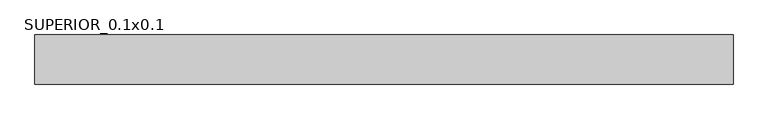
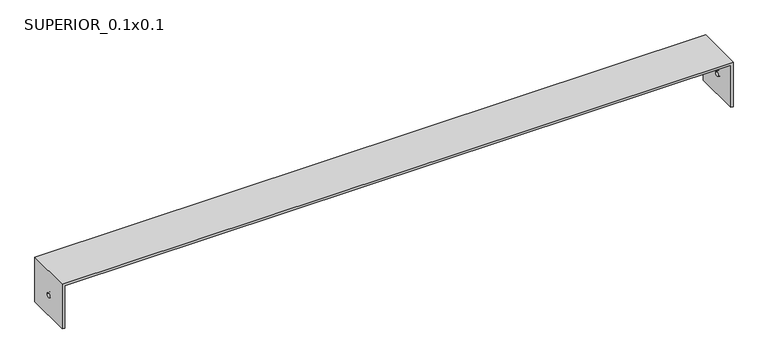
"""IFC4 building model written with IfcOpenShell, lengths in millimetres: proxy geometry, SUPERIOR_0.1x0.1."""

from ifc_helpers import new_model, si_unit, frame, origin, place, context, project, spatial, polyline, circle_curve, source, transform, mapped, element, save
from ifc_brep_helpers import plane_surface, revolved_surface, advanced_brep


def superior_0_1x0_1_e82e511b(model_context):
    return source(origin(), model_context, "Body", "AdvancedBrep", [
        advanced_brep(
        [(5.0, 100.0, -95.0), (5.0, 0.0, -95.0), (0.0, 0.0, -95.0), (0.0, 100.0, -95.0), (0.0, 100.0, 5.0), (1420.0, 100.0, 5.0), (1420.0, 100.0, -95.0), (1415.0, 100.0, -95.0), (1415.0, 100.0, 0.0), (5.0, 100.0, 0.0), (0.0, 0.0, 5.0), (0.0, 45.1299677, -50.0), (0.0, 55.1299677, -50.0), (5.0, 0.0, 0.0), (1415.0, 0.0, 0.0), (1415.0, 0.0, -95.0), (1420.0, 0.0, -95.0), (1420.0, 0.0, 5.0), (5.0, 55.1299677, -50.0), (5.0, 45.1299677, -50.0), (1420.0, 55.1299677, -50.0), (1420.0, 45.1299677, -50.0), (1415.0, 45.1299677, -50.0), (1415.0, 55.1299677, -50.0)],
        [
            (0, 1),
            (1, 2),
            (2, 3),
            (3, 0),
            (3, 4),
            (4, 5),
            (5, 6),
            (6, 7),
            (7, 8),
            (8, 9),
            (9, 0),
            (2, 10),
            (10, 4),
            (11, 12, circle_curve(frame((0.0, 50.1299677, -50.0), z_axis=(1.0, 0.0, 0.0), x_axis=(0.0, 1.0, 0.0)), 5.0)),
            (12, 11, circle_curve(frame((0.0, 50.1299677, -50.0), z_axis=(1.0, 0.0, 0.0), x_axis=(0.0, 1.0, 0.0)), 5.0)),
            (1, 13),
            (13, 14),
            (14, 15),
            (15, 16),
            (16, 17),
            (17, 10),
            (9, 13),
            (18, 19, circle_curve(frame((5.0, 50.1299677, -50.0), z_axis=(-1.0, 0.0, 0.0), x_axis=(0.0, 1.0, 0.0)), 5.0)),
            (19, 18, circle_curve(frame((5.0, 50.1299677, -50.0), z_axis=(-1.0, 0.0, 0.0), x_axis=(0.0, 1.0, 0.0)), 5.0)),
            (17, 5),
            (8, 14),
            (16, 6),
            (20, 21, circle_curve(frame((1420.0, 50.1299677, -50.0), z_axis=(-1.0, 0.0, 0.0), x_axis=(0.0, 1.0, 0.0)), 5.0)),
            (21, 20, circle_curve(frame((1420.0, 50.1299677, -50.0), z_axis=(-1.0, 0.0, 0.0), x_axis=(0.0, 1.0, 0.0)), 5.0)),
            (11, 19),
            (18, 12),
            (22, 21),
            (20, 23),
            (23, 22, circle_curve(frame((1415.0, 50.1299677, -50.0), z_axis=(-1.0, 0.0, 0.0), x_axis=(0.0, 1.0, 0.0)), 5.0)),
            (22, 23, circle_curve(frame((1415.0, 50.1299677, -50.0), z_axis=(-1.0, 0.0, 0.0), x_axis=(0.0, 1.0, 0.0)), 5.0)),
            (15, 7),
        ],
        [
            plane_surface(frame((0.0, 100.0, -95.0), z_axis=(0.0, 0.0, -1.0), x_axis=(1.0, 0.0, 0.0))),
            plane_surface(frame((5.0, 100.0, 0.0), z_axis=(0.0, 1.0, 0.0), x_axis=(0.0, 0.0, -1.0))),
            plane_surface(frame((0.0, 100.0, 0.0), z_axis=(-1.0, 0.0, 0.0), x_axis=(0.0, 0.0, -1.0))),
            plane_surface(frame((0.0, 0.0, 0.0), z_axis=(0.0, -1.0, 0.0), x_axis=(0.0, 0.0, -1.0))),
            plane_surface(frame((5.0, 0.0, 0.0), z_axis=(1.0, 0.0, 0.0), x_axis=(0.0, 0.0, -1.0))),
            plane_surface(frame((0.0, 0.0, 5.0), z_axis=(0.0, 0.0, 1.0), x_axis=(0.0, -1.0, 0.0))),
            plane_surface(frame((0.0, 0.0, 0.0), z_axis=(0.0, 0.0, -1.0), x_axis=(0.0, 1.0, 0.0))),
            plane_surface(frame((1420.0, 0.0, 5.0), z_axis=(1.0, 0.0, 0.0), x_axis=(0.0, 0.0, -1.0))),
            revolved_surface(polyline([(5.0, 55.1299677, -50.0), (0.0, 55.1299677, -50.0)]), (0.0, 50.1299677, -50.0), (1.0, 0.0, 0.0)),
            revolved_surface(polyline([(1420.0, 55.1299677, -50.0), (1415.0, 55.1299677, -50.0)]), (0.0, 50.1299677, -50.0), (1.0, 0.0, 0.0)),
            plane_surface(frame((1415.0, 100.0, -95.0), z_axis=(0.0, 0.0, -1.0), x_axis=(0.0, 1.0, 0.0))),
            plane_surface(frame((1415.0, 100.0, 0.0), z_axis=(-1.0, 0.0, 0.0), x_axis=(0.0, 0.0, -1.0))),
        ],
        [
            (0, [[1, 2, 3, 4]]),
            (1, [[-4, 5, 6, 7, 8, 9, 10, 11]]),
            (2, [[-3, 12, 13, -5], [14, 15]]),
            (3, [[-2, 16, 17, 18, 19, 20, 21, -12]]),
            (4, [[-1, -11, 22, -16], [23, 24]]),
            (5, [[-13, -21, 25, -6]]),
            (6, [[-22, -10, 26, -17]]),
            (7, [[-25, -20, 27, -7], [28, 29]]),
            (8, [[30, -23, 31, -14]]),
            (9, [[32, -28, 33, 34]]),
            (8, [[-30, -15, -31, -24]]),
            (9, [[-32, 35, -33, -29]]),
            (10, [[-8, -27, -19, 36]]),
            (11, [[-36, -18, -26, -9], [-34, -35]]),
        ],
    ),
    ])


if __name__ == "__main__":
    model = new_model("IFC4")
    model_context = context("Model", 3, world=origin())
    ifc_project = project(units=[si_unit("LENGTHUNIT", "METRE", prefix="MILLI")], contexts=[model_context])
    site = spatial("IfcSite", under=ifc_project)
    building = spatial("IfcBuilding", under=site)
    placement = place(None, origin())
    superior_0_1x0_1_shape = superior_0_1x0_1_e82e511b(model_context)
    element("IfcBuildingElementProxy", 1, Name="SUPERIOR_0.1x0.1", ObjectType="SUPERIOR_0.1x0.1", at=placement, inside=building, context=model_context, shape_type="MappedRepresentation", body=[
        mapped(superior_0_1x0_1_shape, transform((0.0, 0.0, 0.0), x_axis=(1.0, 0.0, 0.0), y_axis=(0.0, 1.0, 0.0), z_axis=(0.0, 0.0, 1.0))),
    ])
    save(model, "model.ifc")
